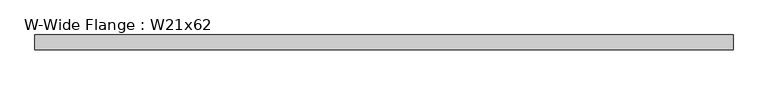
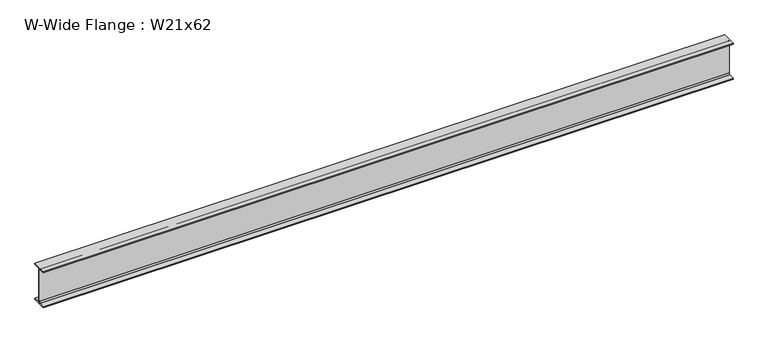
"""IFC4 building model written with IfcOpenShell, lengths in millimetres: beam geometry, W-Wide Flange : W21x62."""

import ifcopenshell
import ifcopenshell.guid

model = None  # the IFC model being written
_history = None  # IfcOwnerHistory: only IFC2X3 demands one
_inside = {}  # id of a spatial element -> (the spatial element, [elements in it])
_under = {}  # id of a project, library or spatial element -> (it, [spatial elements below it])
_declared = {}  # id of a project -> (the project, [libraries it declares])
_typed = {}  # id of a type object -> (the type object, [elements of that type])
_made_of = {}  # id of a material, layer set ... -> (it, [elements and type objects made of it])


def new_model(schema):
    """Start an empty IFC model of exactly this schema.

    Asked for "IFC4X3", IfcOpenShell would pick the latest addendum, in which some entities
    have other attributes; the version numbers below select the first issue.
    IFC2X3 requires an IfcOwnerHistory on every rooted entity: one is made here for all.
    """
    global model, _history
    if schema == "IFC4X3":
        model = ifcopenshell.file(schema_version=(4, 3, 0, 0))
    else:
        model = ifcopenshell.file(schema=schema)
    _inside.clear()
    _under.clear()
    _declared.clear()
    _typed.clear()
    _made_of.clear()
    _history = None
    if model.schema == "IFC2X3":
        org = make("IfcOrganization", Name="unknown")
        user = make(
            "IfcPersonAndOrganization",
            ThePerson=make("IfcPerson", FamilyName="unknown"),
            TheOrganization=org,
        )
        app = make(
            "IfcApplication",
            ApplicationDeveloper=org,
            Version="unknown",
            ApplicationFullName="unknown",
            ApplicationIdentifier="unknown",
        )
        _history = make(
            "IfcOwnerHistory",
            OwningUser=user,
            OwningApplication=app,
            ChangeAction="ADDED",
            CreationDate=0,
        )
    return model


def make(cls, **values):
    """One entity of the class cls with the attributes given. An attribute that is None is left unset."""
    return model.create_entity(
        cls, **{name: value for name, value in values.items() if value is not None}
    )


def rooted(cls, **values):
    """An entity with a GlobalId (a new one), such as an element, a storey or a relation."""
    return make(cls, GlobalId=ifcopenshell.guid.new(), OwnerHistory=_history, **values)


def si_unit(unit_type, name, prefix=None):
    """IfcSIUnit, for example si_unit("LENGTHUNIT", "METRE", prefix="MILLI")."""
    return make("IfcSIUnit", UnitType=unit_type, Prefix=prefix, Name=name)


def assignment(units):
    """IfcUnitAssignment: the units of a project."""
    return None if units is None else make("IfcUnitAssignment", Units=units)


def point(xyz):
    """IfcCartesianPoint."""
    return None if xyz is None else make("IfcCartesianPoint", Coordinates=xyz)


def direction(xyz):
    """IfcDirection."""
    return None if xyz is None else make("IfcDirection", DirectionRatios=xyz)


def frame(location, z_axis=None, x_axis=None):
    """IfcAxis2Placement3D, a coordinate frame: its origin and axes. An axis left out is left unset."""
    return make(
        "IfcAxis2Placement3D",
        Location=point(location),
        Axis=direction(z_axis),
        RefDirection=direction(x_axis),
    )


def frame_2d(location, x_axis=None):
    """IfcAxis2Placement2D, a coordinate frame in the plane: its origin and x axis."""
    return make(
        "IfcAxis2Placement2D", Location=point(location), RefDirection=direction(x_axis)
    )


def origin():
    """The frame at (0, 0, 0) with its axes left unset."""
    return frame((0.0, 0.0, 0.0))


def place(relative_to, where):
    """IfcLocalPlacement: puts the frame where relative to a parent placement (None: the world)."""
    return make(
        "IfcLocalPlacement", PlacementRelTo=relative_to, RelativePlacement=where
    )


def context(
    kind, dimensions, precision=None, world=None, true_north=None, identifier=None
):
    """IfcGeometricRepresentationContext, for example the 3D "Model" context."""
    return make(
        "IfcGeometricRepresentationContext",
        ContextIdentifier=identifier,
        ContextType=kind,
        CoordinateSpaceDimension=dimensions,
        Precision=precision,
        WorldCoordinateSystem=world,
        TrueNorth=true_north,
    )


def project(units=None, contexts=None):
    """IfcProject with its units and contexts."""
    return rooted(
        "IfcProject",
        Name="project",
        RepresentationContexts=contexts,
        UnitsInContext=assignment(units),
    )


def spatial(cls, under=None, at=None, **own):
    """A site, building, storey or space (cls), placed at a placement, below another one or the project."""
    s = rooted(cls, ObjectPlacement=at, **own)
    if under is not None:
        _under.setdefault(under.id(), (under, []))[1].append(s)
    return s


def polyline(points):
    """IfcPolyline through the points."""
    return make("IfcPolyline", Points=[point(p) for p in points])


def circle_curve(where, radius):
    """IfcCircle in the frame where."""
    return make("IfcCircle", Position=where, Radius=radius)


def trimmed(basis, trim1, trim2, sense, master):
    """IfcTrimmedCurve: the piece of a basis curve between two trims."""
    return make(
        "IfcTrimmedCurve",
        BasisCurve=basis,
        Trim1=trim1,
        Trim2=trim2,
        SenseAgreement=sense,
        MasterRepresentation=master,
    )


def segment(curve, same_sense, transition):
    """IfcCompositeCurveSegment."""
    return make(
        "IfcCompositeCurveSegment",
        Transition=transition,
        SameSense=same_sense,
        ParentCurve=curve,
    )


def composite_curve(segments, self_intersect=None):
    """IfcCompositeCurve: segments joined end to end."""
    return make("IfcCompositeCurve", Segments=segments, SelfIntersect=self_intersect)


def outline(outer, holes=None, kind="AREA"):
    """IfcArbitraryClosedProfileDef: a profile drawn as a closed curve; with holes, ...WithVoids."""
    if holes is None:
        return make("IfcArbitraryClosedProfileDef", ProfileType=kind, OuterCurve=outer)
    return make(
        "IfcArbitraryProfileDefWithVoids",
        ProfileType=kind,
        OuterCurve=outer,
        InnerCurves=holes,
    )


def extrude(swept, where, along, depth):
    """IfcExtrudedAreaSolid: the profile swept, set in the frame where, extruded along a direction by depth."""
    return make(
        "IfcExtrudedAreaSolid",
        SweptArea=swept,
        Position=where,
        ExtrudedDirection=direction(along),
        Depth=depth,
    )


def shape(context_of_items, identifier, shape_type, items):
    """IfcShapeRepresentation: the items that make up one representation, for example the "Body"."""
    return make(
        "IfcShapeRepresentation",
        ContextOfItems=context_of_items,
        RepresentationIdentifier=identifier,
        RepresentationType=shape_type,
        Items=items,
    )


def source(mapping_origin, context_of_items, identifier, shape_type, items):
    """IfcRepresentationMap: a shape defined once, which mapped items show again and again."""
    return make(
        "IfcRepresentationMap",
        MappingOrigin=mapping_origin,
        MappedRepresentation=shape(context_of_items, identifier, shape_type, items),
    )


def transform(
    local_origin,
    x_axis=None,
    y_axis=None,
    z_axis=None,
    scale=None,
    scale2=None,
    scale3=None,
    uniform=True,
):
    """IfcCartesianTransformationOperator3D, or its non-uniform kind. x_axis, y_axis, z_axis: its Axis1, 2, 3."""
    if uniform:
        return make(
            "IfcCartesianTransformationOperator3D",
            Axis1=direction(x_axis),
            Axis2=direction(y_axis),
            LocalOrigin=point(local_origin),
            Scale=scale,
            Axis3=direction(z_axis),
        )
    return make(
        "IfcCartesianTransformationOperator3DnonUniform",
        Axis1=direction(x_axis),
        Axis2=direction(y_axis),
        LocalOrigin=point(local_origin),
        Scale=scale,
        Axis3=direction(z_axis),
        Scale2=scale2,
        Scale3=scale3,
    )


def mapped(mapping_source, mapping_target):
    """IfcMappedItem: shows the shape of a source again, moved by a transform."""
    return make(
        "IfcMappedItem", MappingSource=mapping_source, MappingTarget=mapping_target
    )


def made_of(thing, what):
    """Note that an element or type object is made of a material, layer set ...; save() writes the relation."""
    if what is not None:
        _made_of.setdefault(what.id(), (what, []))[1].append(thing)
    return thing


def element(
    cls,
    number,
    at=None,
    inside=None,
    cuts=None,
    type_object=None,
    material=None,
    context=None,
    identifier="Body",
    shape_type=None,
    held_by="IfcProductDefinitionShape",
    body=None,
    shapes=None,
    **own,
):
    """One element of the class cls, such as IfcWall. Its Tag is "e" and its number.

    at: its placement. inside: the storey or other place that contains it. cuts: it is an
    opening in that element (IfcRelVoidsElement). A single representation is given by context,
    identifier, shape_type and body (its items); several are given by shapes. held_by: the class
    of the entity that holds the representations. save() writes the other relations.
    """
    e = rooted(cls, Tag="e%d" % number, ObjectPlacement=at, **own)
    if body is not None:
        shapes = [shape(context, identifier, shape_type, body)]
    if shapes is not None:
        e.Representation = make(held_by, Representations=shapes)
    if inside is not None:
        _inside.setdefault(inside.id(), (inside, []))[1].append(e)
    if cuts is not None:
        rooted(
            "IfcRelVoidsElement", RelatingBuildingElement=cuts, RelatedOpeningElement=e
        )
    if type_object is not None:
        _typed.setdefault(type_object.id(), (type_object, []))[1].append(e)
    return made_of(e, material)


def aggregate(whole, parts):
    """IfcRelAggregates: a whole, such as a stair, and the parts it consists of."""
    return rooted("IfcRelAggregates", RelatingObject=whole, RelatedObjects=parts)


def save(model, path):
    """Write the relations noted so far, then the file.

    IfcRelAggregates (storeys below a building ...), IfcRelContainedInSpatialStructure (elements
    in a storey), IfcRelDefinesByType, IfcRelAssociatesMaterial and IfcRelDeclares: one each for
    every whole, place, type object, material and project.
    """
    for whole, parts in _under.values():
        aggregate(whole, parts)
    for where, things in _inside.values():
        rooted(
            "IfcRelContainedInSpatialStructure",
            RelatedElements=things,
            RelatingStructure=where,
        )
    for kind, things in _typed.values():
        rooted("IfcRelDefinesByType", RelatedObjects=things, RelatingType=kind)
    for what, things in _made_of.values():
        rooted("IfcRelAssociatesMaterial", RelatedObjects=things, RelatingMaterial=what)
    for by, libraries in _declared.values():
        rooted("IfcRelDeclares", RelatingContext=by, RelatedDefinitions=libraries)
    model.write(path)


def w_wide_flange_w21x62_4695f47d(model_context):
    return source(origin(), model_context, "Body", "SweptSolid", [
        extrude(outline(composite_curve([segment(polyline([(104.648, -251.079), (104.648, -266.7), (-104.648, -266.7), (-104.648, -251.079), (-22.7965, -251.079)]), True, "CONTINUOUS"), segment(trimmed(circle_curve(frame_2d((-22.7965, -233.3625)), 17.7165), [point((-22.7965, -251.079))], [point((-5.08, -233.3625))], True, "CARTESIAN"), True, "CONTINUOUS"), segment(polyline([(-5.08, -233.3625), (-5.08, 233.3625)]), True, "CONTINUOUS"), segment(trimmed(circle_curve(frame_2d((-22.7965, 233.3625)), 17.7165), [point((-5.08, 233.3625))], [point((-22.7965, 251.079))], True, "CARTESIAN"), True, "CONTINUOUS"), segment(polyline([(-22.7965, 251.079), (-104.648, 251.079), (-104.648, 266.7), (104.648, 266.7), (104.648, 251.079), (22.7965, 251.079)]), True, "CONTINUOUS"), segment(trimmed(circle_curve(frame_2d((22.7965, 233.3625)), 17.7165), [point((22.7965, 251.079))], [point((5.08, 233.3625))], True, "CARTESIAN"), True, "CONTINUOUS"), segment(polyline([(5.08, 233.3625), (5.08, -233.3625)]), True, "CONTINUOUS"), segment(trimmed(circle_curve(frame_2d((22.7965, -233.3625)), 17.7165), [point((5.08, -233.3625))], [point((22.7965, -251.079))], True, "CARTESIAN"), True, "CONTINUOUS"), segment(polyline([(22.7965, -251.079), (104.648, -251.079)]), True, "CONTINUOUS")], self_intersect=False)), frame((-4858.639, 0.0, 0.0), z_axis=(1.0, 0.0, 0.0), x_axis=(0.0, 1.0, 0.0)), (0.0, 0.0, 1.0), 9717.151),
    ])


if __name__ == "__main__":
    model = new_model("IFC4")
    model_context = context("Model", 3, world=origin())
    ifc_project = project(units=[si_unit("LENGTHUNIT", "METRE", prefix="MILLI")], contexts=[model_context])
    site = spatial("IfcSite", under=ifc_project)
    building = spatial("IfcBuilding", under=site)
    placement = place(None, origin())
    w_wide_flange_w21x62_shape = w_wide_flange_w21x62_4695f47d(model_context)
    element("IfcBeam", 1, ObjectType="W-Wide Flange : W21x62", at=placement, inside=building, context=model_context, shape_type="MappedRepresentation", body=[
        mapped(w_wide_flange_w21x62_shape, transform((0.0, 0.0, 0.0), x_axis=(1.0, 0.0, 0.0), y_axis=(0.0, 1.0, 0.0), z_axis=(0.0, 0.0, 1.0))),
    ])
    save(model, "model.ifc")
